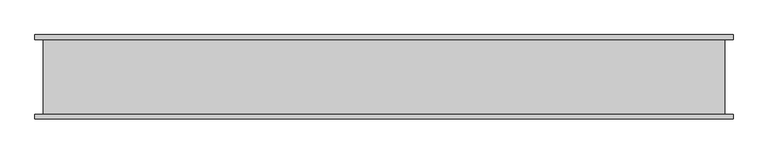
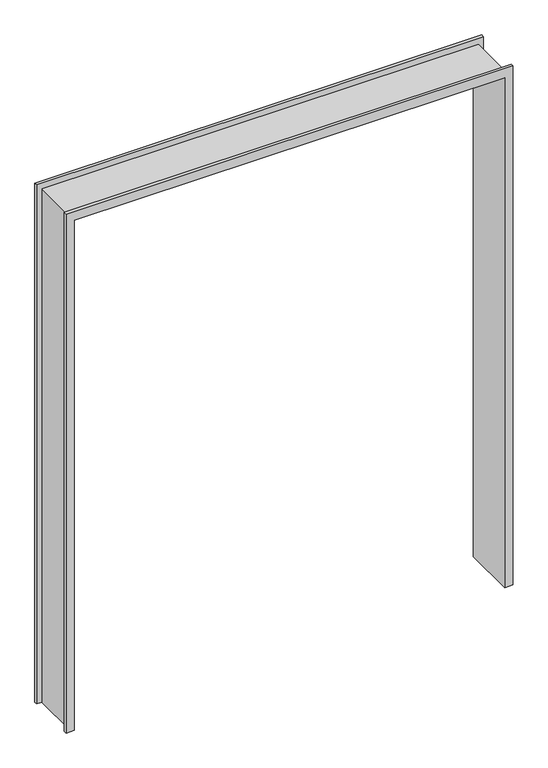
"""IFC4 building model written with IfcOpenShell, lengths in millimetres: proxy geometry."""

from ifc_helpers import new_model, si_unit, origin, place, context, project, spatial, faceted_brep, source, transform, mapped, element, save


def specialty_equipment_389efeae(model_context):
    return source(origin(), model_context, "Body", "Brep", [
        faceted_brep([(1034.0442422, -7.7140625, 0.0), (1034.0442422, 292.2859375, 0.0), (1080.7173422, 292.2859375, 0.0), (1080.7173422, 275.7859375, 0.0), (1051.0442422, 275.7859375, 0.0), (1051.0442422, 8.7859375, 0.0), (1080.7173422, 8.7859375, 0.0), (1080.7173422, -7.7140625, 0.0), (1051.0442422, 8.7859375, 3012.8984), (-1374.2030564, 8.7859375, 3012.8984), (-1374.2030564, 8.7859375, 0.0), (-1403.8761564, 8.7859375, 0.0), (-1403.8761564, 8.7859375, 3047.9944), (1080.7173422, 8.7859375, 3047.9944), (-1357.2030564, -7.7140625, 0.0), (-1357.2030564, -7.7140625, 2995.8984), (1034.0442422, -7.7140625, 2995.8984), (1080.7173422, -7.7140625, 3047.9944), (-1403.8761564, -7.7140625, 3047.9944), (-1403.8761564, -7.7140625, 0.0), (1034.0442422, 292.2859375, 2995.8984), (-1357.2030564, 292.2859375, 2995.8984), (-1357.2030564, 292.2859375, 0.0), (-1403.8761564, 292.2859375, 0.0), (-1403.8761564, 292.2859375, 3047.9944), (1080.7173422, 292.2859375, 3047.9944), (-1374.2030564, 275.7859375, 0.0), (-1374.2030564, 275.7859375, 3012.8984), (1051.0442422, 275.7859375, 3012.8984), (1080.7173422, 275.7859375, 3047.9944), (-1403.8761564, 275.7859375, 3047.9944), (-1403.8761564, 275.7859375, 0.0)], [[[0, 1, 2, 3, 4, 5, 6, 7]], [[5, 8, 9, 10, 11, 12, 13, 6]], [[14, 15, 16, 0, 7, 17, 18, 19]], [[1, 0, 16, 20]], [[1, 20, 21, 22, 23, 24, 25, 2]], [[26, 27, 28, 4, 3, 29, 30, 31]], [[5, 4, 28, 8]], [[18, 17, 13, 12]], [[16, 15, 21, 20]], [[30, 29, 25, 24]], [[9, 8, 28, 27]], [[10, 26, 31, 23, 22, 14, 19, 11]], [[15, 14, 22, 21]], [[10, 9, 27, 26]], [[12, 11, 19, 18]], [[24, 23, 31, 30]], [[3, 2, 25, 29]], [[7, 6, 13, 17]]]),
    ])


if __name__ == "__main__":
    model = new_model("IFC4")
    model_context = context("Model", 3, world=origin())
    ifc_project = project(units=[si_unit("LENGTHUNIT", "METRE", prefix="MILLI")], contexts=[model_context])
    site = spatial("IfcSite", under=ifc_project)
    building = spatial("IfcBuilding", under=site)
    placement = place(None, origin())
    specialty_equipment_shape = specialty_equipment_389efeae(model_context)
    element("IfcBuildingElementProxy", 1, Name="Specialty Equipment", at=placement, inside=building, context=model_context, shape_type="MappedRepresentation", body=[
        mapped(specialty_equipment_shape, transform((0.0, 0.0, 0.0), x_axis=(1.0, 0.0, 0.0), y_axis=(0.0, 1.0, 0.0), z_axis=(0.0, 0.0, 1.0))),
    ])
    save(model, "model.ifc")
